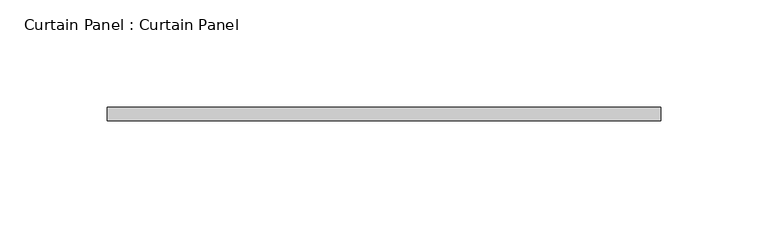
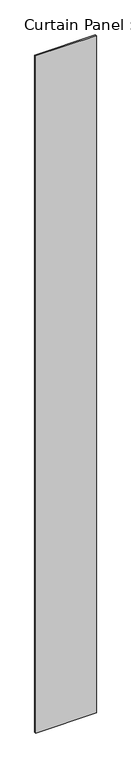
"""IFC4 building model written with IfcOpenShell, lengths in millimetres: plate geometry, Curtain Panel : Curtain Panel."""

from ifc_helpers import new_model, si_unit, origin, origin_with_axes, place, context, project, spatial, polyline, outline, extrude, source, transform, mapped, element, save


def curtain_panel_curtain_panel_cc89d4ec(model_context):
    return source(origin(), model_context, "Body", "SweptSolid", [
        extrude(outline(polyline([(342044.5159443, 1618.5414638), (342303.2784443, 1618.5414638), (342303.2784443, 1612.1914638), (342044.5159443, 1612.1914638), (342044.5159443, 1618.5414638)])), origin_with_axes(), (0.0, 0.0, 1.0), 3048.0),
    ])


if __name__ == "__main__":
    model = new_model("IFC4")
    model_context = context("Model", 3, world=origin())
    ifc_project = project(units=[si_unit("LENGTHUNIT", "METRE", prefix="MILLI")], contexts=[model_context])
    site = spatial("IfcSite", under=ifc_project)
    building = spatial("IfcBuilding", under=site)
    placement = place(None, origin())
    curtain_panel_curtain_panel_shape = curtain_panel_curtain_panel_cc89d4ec(model_context)
    element("IfcPlate", 1, ObjectType="Curtain Panel : Curtain Panel", at=placement, inside=building, context=model_context, shape_type="MappedRepresentation", body=[
        mapped(curtain_panel_curtain_panel_shape, transform((0.0, 0.0, 0.0), x_axis=(1.0, 0.0, 0.0), y_axis=(0.0, 1.0, 0.0), z_axis=(0.0, 0.0, 1.0))),
    ])
    save(model, "model.ifc")
